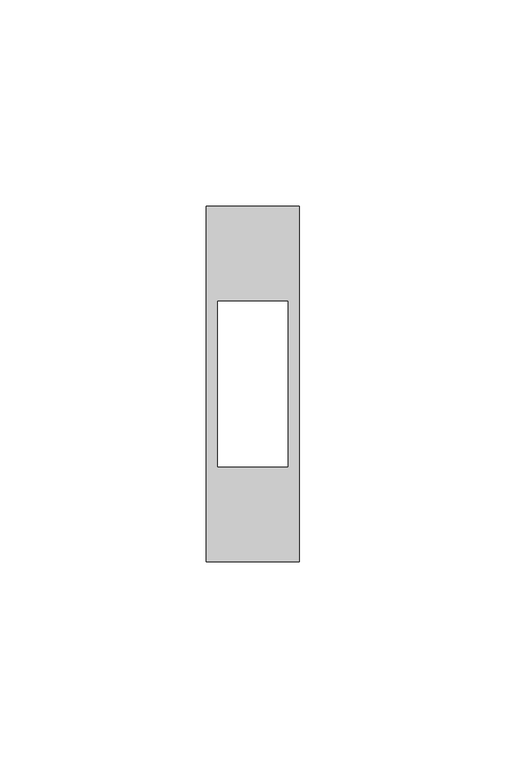
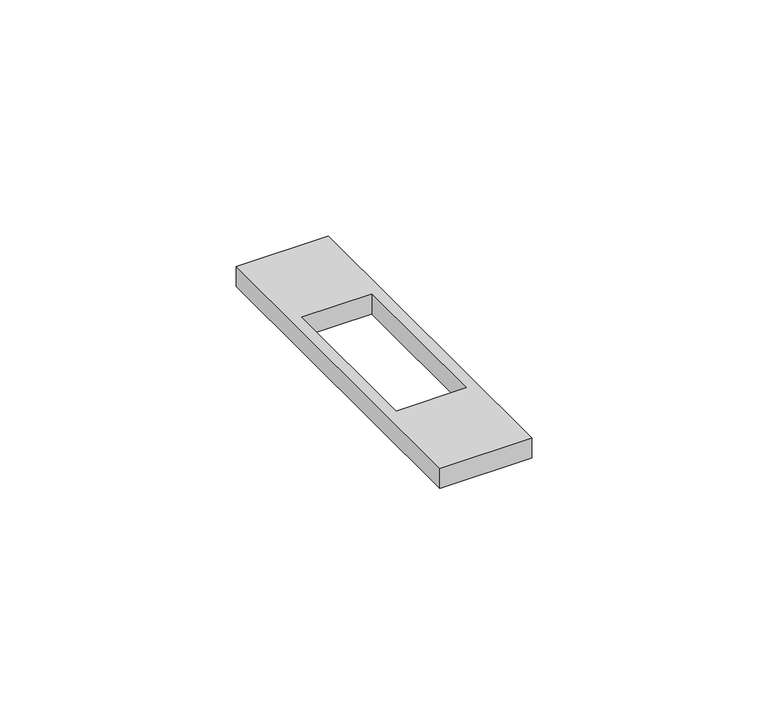
"""IFC4 building model written with IfcOpenShell, lengths in millimetres: proxy geometry."""

from ifc_helpers import new_model, si_unit, frame, origin, place, context, project, spatial, polyline, outline, extrude, source, transform, mapped, element, save


def electrical_fixtures_7e23c16d(model_context):
    return source(origin(), model_context, "Body", "SweptSolid", [
        extrude(outline(polyline([(0.0, 0.0), (0.0, 86.0), (22.5, 86.0), (22.5, 0.0), (0.0, 0.0)]), holes=[polyline([(2.75, 63.0), (2.75, 23.0), (19.75, 23.0), (19.75, 63.0), (2.75, 63.0)])]), frame((0.0, 0.0, 5.5), z_axis=(0.0, 0.0, 1.0), x_axis=(1.0, 0.0, 0.0)), (0.0, 0.0, 1.0), 5.2),
    ])


if __name__ == "__main__":
    model = new_model("IFC4")
    model_context = context("Model", 3, world=origin())
    ifc_project = project(units=[si_unit("LENGTHUNIT", "METRE", prefix="MILLI")], contexts=[model_context])
    site = spatial("IfcSite", under=ifc_project)
    building = spatial("IfcBuilding", under=site)
    placement = place(None, origin())
    electrical_fixtures_shape = electrical_fixtures_7e23c16d(model_context)
    element("IfcBuildingElementProxy", 1, Name="Electrical Fixtures", at=placement, inside=building, context=model_context, shape_type="MappedRepresentation", body=[
        mapped(electrical_fixtures_shape, transform((0.0, 0.0, 0.0), x_axis=(1.0, 0.0, 0.0), y_axis=(0.0, 1.0, 0.0), z_axis=(0.0, 0.0, 1.0))),
    ])
    save(model, "model.ifc")
